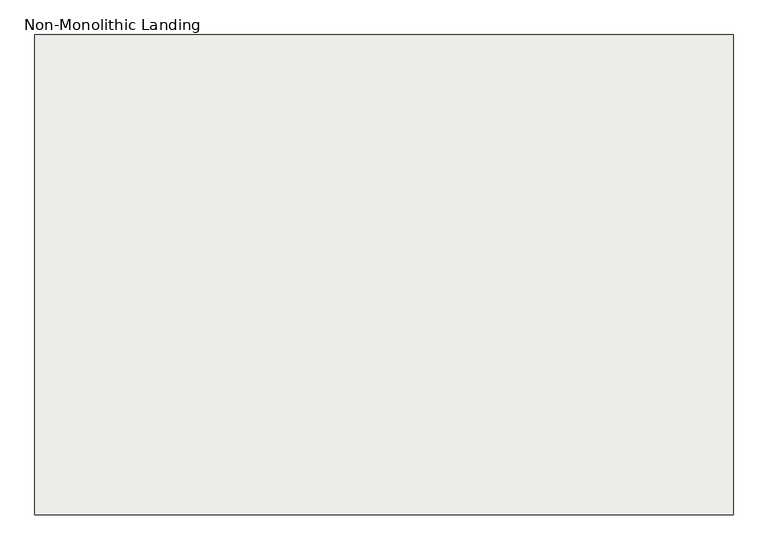
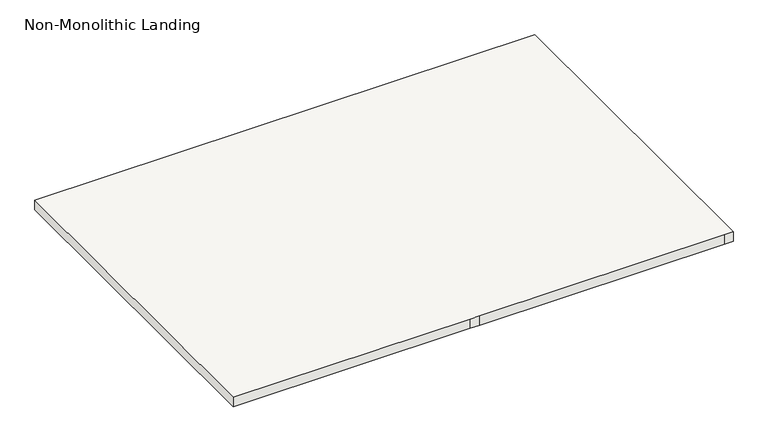
"""IFC4 building model written with IfcOpenShell, lengths in millimetres: slab geometry, Non-Monolithic Landing."""

from ifc_helpers import new_model, si_unit, frame, origin, place, context, project, spatial, polyline, outline, extrude, source, transform, mapped, element, save


def non_monolithic_landing_28848aa5(model_context):
    return source(origin(), model_context, "Body", "SweptSolid", [
        extrude(outline(polyline([(-20380.166273, 13578.9200407), (-20430.166273, 13578.9200407), (-21646.2730582, 13578.9200407), (-21646.2730582, 15344.4576166), (-19077.578227, 15344.4576166), (-19077.578227, 13578.9200407), (-19122.5977279, 13578.9200407), (-20380.166273, 13578.9200407)])), frame((0.0, 0.0, 1425.0), z_axis=(0.0, 0.0, 1.0), x_axis=(1.0, 0.0, 0.0)), (0.0, 0.0, 1.0), 50.0),
    ])


if __name__ == "__main__":
    model = new_model("IFC4")
    model_context = context("Model", 3, world=origin())
    ifc_project = project(units=[si_unit("LENGTHUNIT", "METRE", prefix="MILLI")], contexts=[model_context])
    site = spatial("IfcSite", under=ifc_project)
    building = spatial("IfcBuilding", under=site)
    placement = place(None, origin())
    non_monolithic_landing_shape = non_monolithic_landing_28848aa5(model_context)
    element("IfcSlab", 1, ObjectType="Non-Monolithic Landing", at=placement, inside=building, context=model_context, shape_type="MappedRepresentation", body=[
        mapped(non_monolithic_landing_shape, transform((0.0, 0.0, 0.0), x_axis=(1.0, 0.0, 0.0), y_axis=(0.0, 1.0, 0.0), z_axis=(0.0, 0.0, 1.0))),
    ])
    save(model, "model.ifc")
